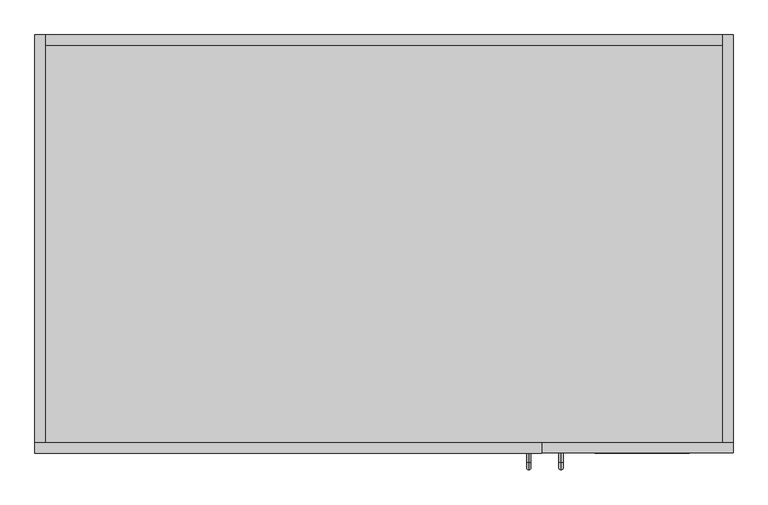
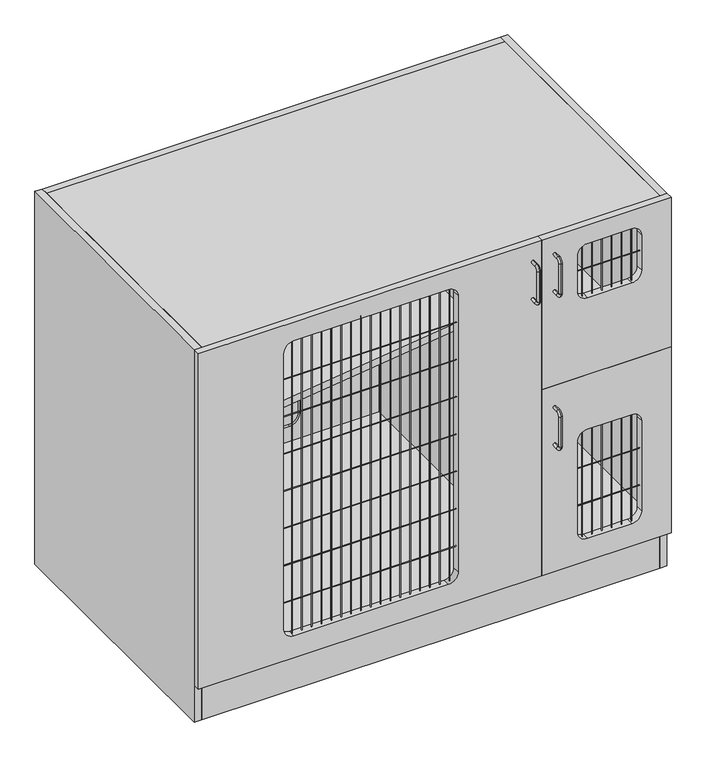
"""IFC4 building model written with IfcOpenShell, lengths in millimetres: proxy geometry."""

from ifc_helpers import new_model, si_unit, point, frame, frame_2d, origin, origin_with_axes, place, context, project, spatial, polyline, circle_curve, ellipse_curve, trimmed, segment, composite_curve, outline, extrude, source, transform, mapped, element, save
from ifc_brep_helpers import plane_surface, cylinder_surface, revolved_surface, advanced_brep


def specialty_equipment_c64e8e07(model_context):
    return source(origin(), model_context, "Body", "SolidModel", [
        advanced_brep(
        [(309.1688814, 0.3007545, 962.8618154), (309.1688814, 0.3007545, 970.7131846), (309.1688814, -15.8610223, 970.7131846), (309.1688814, -15.8610223, 962.8618154), (309.1688814, -29.0249301, 957.5492768), (309.1688814, -21.1735609, 957.5492768), (309.1688814, -29.0249301, 874.4257232), (309.1688814, -21.1735609, 874.4257232), (309.1688814, -15.8610223, 861.2618154), (309.1688814, -15.8610223, 869.1131846), (309.1688814, 0.3007545, 869.1131846), (309.1688814, 0.3007545, 861.2618154)],
        [
            (0, 1, circle_curve(frame((309.1688814, 0.3007545, 966.7875), z_axis=(0.0, 1.0, 0.0), x_axis=(0.0, 0.0, 1.0)), 3.9256846)),
            (1, 0, circle_curve(frame((309.1688814, 0.3007545, 966.7875), z_axis=(0.0, 1.0, 0.0), x_axis=(0.0, 0.0, 1.0)), 3.9256846)),
            (1, 2),
            (2, 3, circle_curve(frame((309.1688814, -15.8610223, 966.7875), z_axis=(0.0, 1.0, 0.0), x_axis=(0.0, 0.0, 1.0)), 3.9256846)),
            (3, 0),
            (3, 2, circle_curve(frame((309.1688814, -15.8610223, 966.7875), z_axis=(0.0, 1.0, 0.0), x_axis=(0.0, 0.0, 1.0)), 3.9256846)),
            (4, 5, circle_curve(frame((309.1688814, -25.0992455, 957.5492768), z_axis=(0.0, 0.0, 1.0), x_axis=(0.0, -1.0, 0.0)), 3.9256846)),
            (5, 3, circle_curve(frame((309.1688814, -15.8610223, 957.5492768), z_axis=(-1.0, 0.0, 0.0), x_axis=(0.0, 0.0, 1.0)), 5.3125387)),
            (2, 4, circle_curve(frame((309.1688814, -15.8610223, 957.5492768), z_axis=(1.0, 0.0, 0.0), x_axis=(0.0, 0.0, 1.0)), 13.1639078)),
            (5, 4, circle_curve(frame((309.1688814, -25.0992455, 957.5492768), z_axis=(0.0, 0.0, 1.0), x_axis=(0.0, -1.0, 0.0)), 3.9256846)),
            (4, 6),
            (6, 7, circle_curve(frame((309.1688814, -25.0992455, 874.4257232), z_axis=(0.0, 0.0, 1.0), x_axis=(0.0, -1.0, 0.0)), 3.9256846)),
            (7, 5),
            (7, 6, circle_curve(frame((309.1688814, -25.0992455, 874.4257232), z_axis=(0.0, 0.0, 1.0), x_axis=(0.0, -1.0, 0.0)), 3.9256846)),
            (8, 9, circle_curve(frame((309.1688814, -15.8610223, 865.1875), z_axis=(0.0, -1.0, 0.0), x_axis=(0.0, 0.0, -1.0)), 3.9256846)),
            (9, 7, circle_curve(frame((309.1688814, -15.8610223, 874.4257232), z_axis=(-1.0, 0.0, 0.0), x_axis=(0.0, -1.0, 0.0)), 5.3125387)),
            (6, 8, circle_curve(frame((309.1688814, -15.8610223, 874.4257232), z_axis=(1.0, 0.0, 0.0), x_axis=(0.0, -1.0, 0.0)), 13.1639078)),
            (9, 8, circle_curve(frame((309.1688814, -15.8610223, 865.1875), z_axis=(0.0, -1.0, 0.0), x_axis=(0.0, 0.0, -1.0)), 3.9256846)),
            (10, 11, circle_curve(frame((309.1688814, 0.3007545, 865.1875), z_axis=(0.0, 1.0, 0.0), x_axis=(0.0, 0.0, -1.0)), 3.9256846)),
            (11, 10, circle_curve(frame((309.1688814, 0.3007545, 865.1875), z_axis=(0.0, 1.0, 0.0), x_axis=(0.0, 0.0, -1.0)), 3.9256846)),
            (8, 11),
            (10, 9),
        ],
        [
            plane_surface(frame((309.1688814, 0.3007545, 966.7875), z_axis=(0.0, 1.0, 0.0), x_axis=(-1.0, 0.0, 0.0))),
            cylinder_surface(frame((309.1688814, 0.3007545, 966.7875), z_axis=(0.0, 1.0, 0.0), x_axis=(0.0, 0.0, 1.0)), 3.9256846),
            revolved_surface(trimmed(ellipse_curve(frame((309.1688814, -15.8610223, 966.7875), z_axis=(0.0, -1.0, 0.0), x_axis=(0.0, 0.0, 1.0)), 3.9256846, 3.9256846), [point((309.1688814, -15.8610223, 962.8618154))], [point((309.1688814, -15.8610223, 970.7131846))], True, "CARTESIAN"), (309.1688814, -15.8610223, 957.5492768), (-1.0, 0.0, 0.0)),
            revolved_surface(trimmed(ellipse_curve(frame((309.1688814, -15.8610223, 966.7875), z_axis=(0.0, -1.0, 0.0), x_axis=(0.0, 0.0, 1.0)), 3.9256846, 3.9256846), [point((309.1688814, -15.8610223, 970.7131846))], [point((309.1688814, -15.8610223, 962.8618154))], True, "CARTESIAN"), (309.1688814, -15.8610223, 957.5492768), (-1.0, 0.0, 0.0)),
            cylinder_surface(frame((309.1688814, -25.0992455, 957.5492768), z_axis=(0.0, 0.0, 1.0), x_axis=(0.0, -1.0, 0.0)), 3.9256846),
            revolved_surface(trimmed(ellipse_curve(frame((309.1688814, -25.0992455, 874.4257232), z_axis=(0.0, 0.0, -1.0), x_axis=(0.0, -1.0, 0.0)), 3.9256846, 3.9256846), [point((309.1688814, -21.1735609, 874.4257232))], [point((309.1688814, -29.0249301, 874.4257232))], True, "CARTESIAN"), (309.1688814, -15.8610223, 874.4257232), (-1.0, 0.0, 0.0)),
            revolved_surface(trimmed(ellipse_curve(frame((309.1688814, -25.0992455, 874.4257232), z_axis=(0.0, 0.0, -1.0), x_axis=(0.0, -1.0, 0.0)), 3.9256846, 3.9256846), [point((309.1688814, -29.0249301, 874.4257232))], [point((309.1688814, -21.1735609, 874.4257232))], True, "CARTESIAN"), (309.1688814, -15.8610223, 874.4257232), (-1.0, 0.0, 0.0)),
            plane_surface(frame((309.1688814, 0.3007545, 865.1875), z_axis=(0.0, 1.0, 0.0), x_axis=(-1.0, 0.0, 0.0))),
            cylinder_surface(frame((309.1688814, -15.8610223, 865.1875), z_axis=(0.0, -1.0, 0.0), x_axis=(0.0, 0.0, -1.0)), 3.9256846),
        ],
        [
            (0, [[1, 2]]),
            (1, [[3, 4, 5, -2]]),
            (1, [[-5, 6, -3, -1]]),
            (2, [[7, 8, -4, 9]]),
            (3, [[10, -9, -6, -8]]),
            (4, [[11, 12, 13, -7]]),
            (4, [[-13, 14, -11, -10]]),
            (5, [[15, 16, -12, 17]]),
            (6, [[18, -17, -14, -16]]),
            (7, [[19, 20]]),
            (8, [[21, -19, 22, -15]]),
            (8, [[-22, -20, -21, -18]]),
        ],
    ),
        advanced_brep(
        [(309.1688814, 0.3007545, 545.3493154), (309.1688814, 0.3007545, 553.2006846), (309.1688814, -15.8610223, 553.2006846), (309.1688814, -15.8610223, 545.3493154), (309.1688814, -29.0249301, 540.0367768), (309.1688814, -21.1735609, 540.0367768), (309.1688814, -29.0249301, 456.9132232), (309.1688814, -21.1735609, 456.9132232), (309.1688814, -15.8610223, 443.7493154), (309.1688814, -15.8610223, 451.6006846), (309.1688814, 0.3007545, 451.6006846), (309.1688814, 0.3007545, 443.7493154)],
        [
            (0, 1, circle_curve(frame((309.1688814, 0.3007545, 549.275), z_axis=(0.0, 1.0, 0.0), x_axis=(0.0, 0.0, 1.0)), 3.9256846)),
            (1, 0, circle_curve(frame((309.1688814, 0.3007545, 549.275), z_axis=(0.0, 1.0, 0.0), x_axis=(0.0, 0.0, 1.0)), 3.9256846)),
            (1, 2),
            (2, 3, circle_curve(frame((309.1688814, -15.8610223, 549.275), z_axis=(0.0, 1.0, 0.0), x_axis=(0.0, 0.0, 1.0)), 3.9256846)),
            (3, 0),
            (3, 2, circle_curve(frame((309.1688814, -15.8610223, 549.275), z_axis=(0.0, 1.0, 0.0), x_axis=(0.0, 0.0, 1.0)), 3.9256846)),
            (4, 5, circle_curve(frame((309.1688814, -25.0992455, 540.0367768), z_axis=(0.0, 0.0, 1.0), x_axis=(0.0, -1.0, 0.0)), 3.9256846)),
            (5, 3, circle_curve(frame((309.1688814, -15.8610223, 540.0367768), z_axis=(-1.0, 0.0, 0.0), x_axis=(0.0, 0.0, 1.0)), 5.3125387)),
            (2, 4, circle_curve(frame((309.1688814, -15.8610223, 540.0367768), z_axis=(1.0, 0.0, 0.0), x_axis=(0.0, 0.0, 1.0)), 13.1639078)),
            (5, 4, circle_curve(frame((309.1688814, -25.0992455, 540.0367768), z_axis=(0.0, 0.0, 1.0), x_axis=(0.0, -1.0, 0.0)), 3.9256846)),
            (4, 6),
            (6, 7, circle_curve(frame((309.1688814, -25.0992455, 456.9132232), z_axis=(0.0, 0.0, 1.0), x_axis=(0.0, -1.0, 0.0)), 3.9256846)),
            (7, 5),
            (7, 6, circle_curve(frame((309.1688814, -25.0992455, 456.9132232), z_axis=(0.0, 0.0, 1.0), x_axis=(0.0, -1.0, 0.0)), 3.9256846)),
            (8, 9, circle_curve(frame((309.1688814, -15.8610223, 447.675), z_axis=(0.0, -1.0, 0.0), x_axis=(0.0, 0.0, -1.0)), 3.9256846)),
            (9, 7, circle_curve(frame((309.1688814, -15.8610223, 456.9132232), z_axis=(-1.0, 0.0, 0.0), x_axis=(0.0, -1.0, 0.0)), 5.3125387)),
            (6, 8, circle_curve(frame((309.1688814, -15.8610223, 456.9132232), z_axis=(1.0, 0.0, 0.0), x_axis=(0.0, -1.0, 0.0)), 13.1639078)),
            (9, 8, circle_curve(frame((309.1688814, -15.8610223, 447.675), z_axis=(0.0, -1.0, 0.0), x_axis=(0.0, 0.0, -1.0)), 3.9256846)),
            (10, 11, circle_curve(frame((309.1688814, 0.3007545, 447.675), z_axis=(0.0, 1.0, 0.0), x_axis=(0.0, 0.0, -1.0)), 3.9256846)),
            (11, 10, circle_curve(frame((309.1688814, 0.3007545, 447.675), z_axis=(0.0, 1.0, 0.0), x_axis=(0.0, 0.0, -1.0)), 3.9256846)),
            (8, 11),
            (10, 9),
        ],
        [
            plane_surface(frame((309.1688814, 0.3007545, 549.275), z_axis=(0.0, 1.0, 0.0), x_axis=(-1.0, 0.0, 0.0))),
            cylinder_surface(frame((309.1688814, 0.3007545, 549.275), z_axis=(0.0, 1.0, 0.0), x_axis=(0.0, 0.0, 1.0)), 3.9256846),
            revolved_surface(trimmed(ellipse_curve(frame((309.1688814, -15.8610223, 549.275), z_axis=(0.0, -1.0, 0.0), x_axis=(0.0, 0.0, 1.0)), 3.9256846, 3.9256846), [point((309.1688814, -15.8610223, 545.3493154))], [point((309.1688814, -15.8610223, 553.2006846))], True, "CARTESIAN"), (309.1688814, -15.8610223, 540.0367768), (-1.0, 0.0, 0.0)),
            revolved_surface(trimmed(ellipse_curve(frame((309.1688814, -15.8610223, 549.275), z_axis=(0.0, -1.0, 0.0), x_axis=(0.0, 0.0, 1.0)), 3.9256846, 3.9256846), [point((309.1688814, -15.8610223, 553.2006846))], [point((309.1688814, -15.8610223, 545.3493154))], True, "CARTESIAN"), (309.1688814, -15.8610223, 540.0367768), (-1.0, 0.0, 0.0)),
            cylinder_surface(frame((309.1688814, -25.0992455, 540.0367768), z_axis=(0.0, 0.0, 1.0), x_axis=(0.0, -1.0, 0.0)), 3.9256846),
            revolved_surface(trimmed(ellipse_curve(frame((309.1688814, -25.0992455, 456.9132232), z_axis=(0.0, 0.0, -1.0), x_axis=(0.0, -1.0, 0.0)), 3.9256846, 3.9256846), [point((309.1688814, -21.1735609, 456.9132232))], [point((309.1688814, -29.0249301, 456.9132232))], True, "CARTESIAN"), (309.1688814, -15.8610223, 456.9132232), (-1.0, 0.0, 0.0)),
            revolved_surface(trimmed(ellipse_curve(frame((309.1688814, -25.0992455, 456.9132232), z_axis=(0.0, 0.0, -1.0), x_axis=(0.0, -1.0, 0.0)), 3.9256846, 3.9256846), [point((309.1688814, -29.0249301, 456.9132232))], [point((309.1688814, -21.1735609, 456.9132232))], True, "CARTESIAN"), (309.1688814, -15.8610223, 456.9132232), (-1.0, 0.0, 0.0)),
            plane_surface(frame((309.1688814, 0.3007545, 447.675), z_axis=(0.0, 1.0, 0.0), x_axis=(-1.0, 0.0, 0.0))),
            cylinder_surface(frame((309.1688814, -15.8610223, 447.675), z_axis=(0.0, -1.0, 0.0), x_axis=(0.0, 0.0, -1.0)), 3.9256846),
        ],
        [
            (0, [[1, 2]]),
            (1, [[3, 4, 5, -2]]),
            (1, [[-5, 6, -3, -1]]),
            (2, [[7, 8, -4, 9]]),
            (3, [[10, -9, -6, -8]]),
            (4, [[11, 12, 13, -7]]),
            (4, [[-13, 14, -11, -10]]),
            (5, [[15, 16, -12, 17]]),
            (6, [[18, -17, -14, -16]]),
            (7, [[19, 20]]),
            (8, [[21, -19, 22, -15]]),
            (8, [[-22, -20, -21, -18]]),
        ],
    ),
        advanced_brep(
        [(252.7878423, 0.0, 961.2743154), (252.7878423, 0.0, 969.1256846), (252.7878423, -16.1617768, 961.2743154), (252.7878423, -16.1617768, 969.1256846), (252.7878423, -29.3256846, 955.9617768), (252.7878423, -21.4743154, 955.9617768), (252.7878423, -21.4743154, 872.8382232), (252.7878423, -29.3256846, 872.8382232), (252.7878423, -16.1617768, 859.6743154), (252.7878423, -16.1617768, 867.5256846), (252.7878423, 0.0, 867.5256846), (252.7878423, 0.0, 859.6743154)],
        [
            (0, 1, circle_curve(frame((252.7878423, 0.0, 965.2), z_axis=(0.0, 1.0, 0.0), x_axis=(0.0, 0.0, 1.0)), 3.9256846)),
            (1, 0, circle_curve(frame((252.7878423, 0.0, 965.2), z_axis=(0.0, 1.0, 0.0), x_axis=(0.0, 0.0, 1.0)), 3.9256846)),
            (0, 2),
            (2, 3, circle_curve(frame((252.7878423, -16.1617768, 965.2), z_axis=(0.0, 1.0, 0.0), x_axis=(0.0, 0.0, 1.0)), 3.9256846)),
            (3, 1),
            (3, 2, circle_curve(frame((252.7878423, -16.1617768, 965.2), z_axis=(0.0, 1.0, 0.0), x_axis=(0.0, 0.0, 1.0)), 3.9256846)),
            (4, 3, circle_curve(frame((252.7878423, -16.1617768, 955.9617768), z_axis=(-1.0, 0.0, 0.0), x_axis=(0.0, 0.0, 1.0)), 13.1639078)),
            (2, 5, circle_curve(frame((252.7878423, -16.1617768, 955.9617768), z_axis=(1.0, 0.0, 0.0), x_axis=(0.0, 0.0, 1.0)), 5.3125387)),
            (5, 4, circle_curve(frame((252.7878423, -25.4, 955.9617768), z_axis=(0.0, 0.0, 1.0), x_axis=(0.0, -1.0, 0.0)), 3.9256846)),
            (4, 5, circle_curve(frame((252.7878423, -25.4, 955.9617768), z_axis=(0.0, 0.0, 1.0), x_axis=(0.0, -1.0, 0.0)), 3.9256846)),
            (5, 6),
            (6, 7, circle_curve(frame((252.7878423, -25.4, 872.8382232), z_axis=(0.0, 0.0, 1.0), x_axis=(0.0, -1.0, 0.0)), 3.9256846)),
            (7, 4),
            (7, 6, circle_curve(frame((252.7878423, -25.4, 872.8382232), z_axis=(0.0, 0.0, 1.0), x_axis=(0.0, -1.0, 0.0)), 3.9256846)),
            (8, 7, circle_curve(frame((252.7878423, -16.1617768, 872.8382232), z_axis=(-1.0, 0.0, 0.0), x_axis=(0.0, -1.0, 0.0)), 13.1639078)),
            (6, 9, circle_curve(frame((252.7878423, -16.1617768, 872.8382232), z_axis=(1.0, 0.0, 0.0), x_axis=(0.0, -1.0, 0.0)), 5.3125387)),
            (9, 8, circle_curve(frame((252.7878423, -16.1617768, 863.6), z_axis=(0.0, -1.0, 0.0), x_axis=(0.0, 0.0, -1.0)), 3.9256846)),
            (8, 9, circle_curve(frame((252.7878423, -16.1617768, 863.6), z_axis=(0.0, -1.0, 0.0), x_axis=(0.0, 0.0, -1.0)), 3.9256846)),
            (10, 11, circle_curve(frame((252.7878423, 0.0, 863.6), z_axis=(0.0, 1.0, 0.0), x_axis=(0.0, 0.0, -1.0)), 3.9256846)),
            (11, 10, circle_curve(frame((252.7878423, 0.0, 863.6), z_axis=(0.0, 1.0, 0.0), x_axis=(0.0, 0.0, -1.0)), 3.9256846)),
            (9, 10),
            (11, 8),
        ],
        [
            plane_surface(frame((252.7878423, 0.0, 965.2), z_axis=(0.0, 1.0, 0.0), x_axis=(1.0, 0.0, 0.0))),
            cylinder_surface(frame((252.7878423, 0.0, 965.2), z_axis=(0.0, 1.0, 0.0), x_axis=(0.0, 0.0, 1.0)), 3.9256846),
            revolved_surface(trimmed(ellipse_curve(frame((252.7878423, -16.1617768, 965.2), z_axis=(0.0, 1.0, 0.0), x_axis=(0.0, 0.0, 1.0)), 3.9256846, 3.9256846), [point((252.7878423, -16.1617768, 961.2743154))], [point((252.7878423, -16.1617768, 969.1256846))], True, "CARTESIAN"), (252.7878423, -16.1617768, 955.9617768), (1.0, 0.0, 0.0)),
            revolved_surface(trimmed(ellipse_curve(frame((252.7878423, -16.1617768, 965.2), z_axis=(0.0, 1.0, 0.0), x_axis=(0.0, 0.0, 1.0)), 3.9256846, 3.9256846), [point((252.7878423, -16.1617768, 969.1256846))], [point((252.7878423, -16.1617768, 961.2743154))], True, "CARTESIAN"), (252.7878423, -16.1617768, 955.9617768), (1.0, 0.0, 0.0)),
            cylinder_surface(frame((252.7878423, -25.4, 955.9617768), z_axis=(0.0, 0.0, 1.0), x_axis=(0.0, -1.0, 0.0)), 3.9256846),
            revolved_surface(trimmed(ellipse_curve(frame((252.7878423, -25.4, 872.8382232), z_axis=(0.0, 0.0, 1.0), x_axis=(0.0, -1.0, 0.0)), 3.9256846, 3.9256846), [point((252.7878423, -21.4743154, 872.8382232))], [point((252.7878423, -29.3256846, 872.8382232))], True, "CARTESIAN"), (252.7878423, -16.1617768, 872.8382232), (1.0, 0.0, 0.0)),
            revolved_surface(trimmed(ellipse_curve(frame((252.7878423, -25.4, 872.8382232), z_axis=(0.0, 0.0, 1.0), x_axis=(0.0, -1.0, 0.0)), 3.9256846, 3.9256846), [point((252.7878423, -29.3256846, 872.8382232))], [point((252.7878423, -21.4743154, 872.8382232))], True, "CARTESIAN"), (252.7878423, -16.1617768, 872.8382232), (1.0, 0.0, 0.0)),
            plane_surface(frame((252.7878423, 0.0, 863.6), z_axis=(0.0, 1.0, 0.0), x_axis=(1.0, 0.0, 0.0))),
            cylinder_surface(frame((252.7878423, -16.1617768, 863.6), z_axis=(0.0, -1.0, 0.0), x_axis=(0.0, 0.0, -1.0)), 3.9256846),
        ],
        [
            (0, [[1, 2]]),
            (1, [[-1, 3, 4, 5]]),
            (1, [[-2, -5, 6, -3]]),
            (2, [[7, -4, 8, 9]]),
            (3, [[-8, -6, -7, 10]]),
            (4, [[-9, 11, 12, 13]]),
            (4, [[-10, -13, 14, -11]]),
            (5, [[15, -12, 16, 17]]),
            (6, [[-16, -14, -15, 18]]),
            (7, [[19, 20]]),
            (8, [[-17, 21, -20, 22]]),
            (8, [[-18, -22, -19, -21]]),
        ],
    ),
        extrude(outline(polyline([(590.55, 38.1), (590.55, 19.05), (-590.55, 19.05), (-590.55, 38.1), (590.55, 38.1)])), origin_with_axes(), (0.0, 0.0, 1.0), 101.6),
        extrude(outline(polyline([(266.7, 711.2), (285.75, 711.2), (285.75, 19.05), (266.7, 19.05), (266.7, 711.2)])), frame((0.0, 0.0, 120.65), z_axis=(0.0, 0.0, 1.0), x_axis=(1.0, 0.0, 0.0)), (0.0, 0.0, 1.0), 876.3),
        extrude(outline(composite_curve([segment(polyline([(965.2, 45.6823641), (965.2, -363.1319653)]), True, "CONTINUOUS"), segment(trimmed(circle_curve(frame_2d((939.8, -363.1319653)), 25.4), [point((965.2, -363.1319653))], [point((939.8, -388.5319653))], False, "CARTESIAN"), True, "CONTINUOUS"), segment(polyline([(939.8, -388.5319653), (187.325, -388.5319653)]), True, "CONTINUOUS"), segment(trimmed(circle_curve(frame_2d((187.325, -363.1319653)), 25.4), [point((187.325, -388.5319653))], [point((161.925, -363.1319653))], False, "CARTESIAN"), True, "CONTINUOUS"), segment(polyline([(161.925, -363.1319653), (161.925, 45.6823641)]), True, "CONTINUOUS"), segment(trimmed(circle_curve(frame_2d((187.325, 45.6823641)), 25.4), [point((161.925, 45.6823641))], [point((187.325, 71.0823641))], False, "CARTESIAN"), True, "CONTINUOUS"), segment(polyline([(187.325, 71.0823641), (939.8, 71.0823641)]), True, "CONTINUOUS"), segment(trimmed(circle_curve(frame_2d((939.8, 45.6823641)), 25.4), [point((939.8, 71.0823641))], [point((965.2, 45.6823641))], False, "CARTESIAN"), True, "CONTINUOUS")], self_intersect=False)), frame((0.0, 717.55, 0.0), z_axis=(0.0, 1.0, 0.0), x_axis=(0.0, 0.0, 1.0)), (0.0, 0.0, 1.0), 6.35),
        extrude(outline(polyline([(266.7, 711.2), (266.7, 298.45), (-590.55, 177.8), (-590.55, 711.2), (266.7, 711.2)])), frame((0.0, 0.0, 611.1875), z_axis=(0.0, 0.0, 1.0), x_axis=(1.0, 0.0, 0.0)), (0.0, 0.0, 1.0), 19.05),
        extrude(outline(polyline([(590.55, 711.2), (590.55, 19.05), (285.75, 19.05), (285.75, 711.2), (590.55, 711.2)])), frame((0.0, 0.0, 588.9625), z_axis=(0.0, 0.0, 1.0), x_axis=(1.0, 0.0, 0.0)), (0.0, 0.0, 1.0), 19.05),
        extrude(outline(polyline([(590.55, 711.2), (590.55, 19.05), (-590.55, 19.05), (-590.55, 711.2), (590.55, 711.2)])), frame((0.0, 0.0, 996.95), z_axis=(0.0, 0.0, 1.0), x_axis=(1.0, 0.0, 0.0)), (0.0, 0.0, 1.0), 19.05),
        extrude(outline(polyline([(1016.0, 590.55), (1016.0, -590.55), (101.6, -590.55), (101.6, 590.55), (1016.0, 590.55)]), holes=[composite_curve([segment(polyline([(939.8, 61.7941214), (187.325, 61.7941214)]), True, "CONTINUOUS"), segment(trimmed(circle_curve(frame_2d((187.325, 36.3941214)), 25.4), [point((187.325, 61.7941214))], [point((161.925, 36.3941214))], True, "CARTESIAN"), True, "CONTINUOUS"), segment(polyline([(161.925, 36.3941214), (161.925, -363.1319653)]), True, "CONTINUOUS"), segment(trimmed(circle_curve(frame_2d((187.325, -363.1319653)), 25.4), [point((161.925, -363.1319653))], [point((187.325, -388.5319653))], True, "CARTESIAN"), True, "CONTINUOUS"), segment(polyline([(187.325, -388.5319653), (939.8, -388.5319653)]), True, "CONTINUOUS"), segment(trimmed(circle_curve(frame_2d((939.8, -363.1319653)), 25.4), [point((939.8, -388.5319653))], [point((965.2, -363.1319653))], True, "CARTESIAN"), True, "CONTINUOUS"), segment(polyline([(965.2, -363.1319653), (965.2, 36.3941214)]), True, "CONTINUOUS"), segment(trimmed(circle_curve(frame_2d((939.8, 36.3941214)), 25.4), [point((965.2, 36.3941214))], [point((939.8, 61.7941214))], True, "CARTESIAN"), True, "CONTINUOUS")], self_intersect=False)]), frame((0.0, 711.2, 0.0), z_axis=(0.0, 1.0, 0.0), x_axis=(0.0, 0.0, 1.0)), (0.0, 0.0, 1.0), 19.05),
        extrude(outline(polyline([(590.55, 19.05), (-590.55, 19.05), (-590.55, 711.2), (590.55, 711.2), (590.55, 19.05)])), frame((0.0, 0.0, 101.6), z_axis=(0.0, 0.0, 1.0), x_axis=(1.0, 0.0, 0.0)), (0.0, 0.0, 1.0), 19.05),
        extrude(outline(polyline([(590.55, 730.25), (609.6, 730.25), (609.6, 19.05), (590.55, 19.05), (590.55, 730.25)])), origin_with_axes(), (0.0, 0.0, 1.0), 1016.0),
        extrude(outline(polyline([(-590.55, 730.25), (-590.55, 19.05), (-609.6, 19.05), (-609.6, 730.25), (-590.55, 730.25)])), origin_with_axes(), (0.0, 0.0, 1.0), 1016.0),
        extrude(outline(polyline([(608.0125, 609.6), (608.0125, 275.5812652), (101.6, 275.5812652), (101.6, 609.6), (608.0125, 609.6)]), holes=[composite_curve([segment(polyline([(458.7875, 393.7), (458.7875, 508.0)]), True, "CONTINUOUS"), segment(trimmed(circle_curve(frame_2d((433.3875, 508.0)), 25.4), [point((458.7875, 508.0))], [point((433.3875, 533.4))], True, "CARTESIAN"), True, "CONTINUOUS"), segment(polyline([(433.3875, 533.4), (187.325, 533.4)]), True, "CONTINUOUS"), segment(trimmed(circle_curve(frame_2d((187.325, 508.0)), 25.4), [point((187.325, 533.4))], [point((161.925, 508.0))], True, "CARTESIAN"), True, "CONTINUOUS"), segment(polyline([(161.925, 508.0), (161.925, 393.7)]), True, "CONTINUOUS"), segment(trimmed(circle_curve(frame_2d((187.325, 393.7)), 25.4), [point((161.925, 393.7))], [point((187.325, 368.3))], True, "CARTESIAN"), True, "CONTINUOUS"), segment(polyline([(187.325, 368.3), (433.3875, 368.3)]), True, "CONTINUOUS"), segment(trimmed(circle_curve(frame_2d((433.3875, 393.7)), 25.4), [point((433.3875, 368.3))], [point((458.7875, 393.7))], True, "CARTESIAN"), True, "CONTINUOUS")], self_intersect=False)]), frame((0.0, 0.3007545, 0.0), z_axis=(0.0, 1.0, 0.0), x_axis=(0.0, 0.0, 1.0)), (0.0, 0.0, 1.0), 19.05),
        extrude(outline(composite_curve([segment(trimmed(circle_curve(frame_2d((512.2505766, 9.3897752)), 0.79375), [point((511.4568266, 9.3897752))], [point((513.0443266, 9.3897752))], False, "CARTESIAN"), True, "CONTINUOUS"), segment(trimmed(circle_curve(frame_2d((512.2505766, 9.3897752)), 0.79375), [point((513.0443266, 9.3897752))], [point((511.4568266, 9.3897752))], False, "CARTESIAN"), True, "CONTINUOUS")], self_intersect=False)), frame((0.0, 0.0, 161.925), z_axis=(0.0, 0.0, 1.0), x_axis=(1.0, 0.0, 0.0)), (0.0, 0.0, 1.0), 296.8625),
        extrude(outline(composite_curve([segment(trimmed(circle_curve(frame_2d((486.8505766, 9.3897752)), 0.79375), [point((486.0568266, 9.3897752))], [point((487.6443266, 9.3897752))], False, "CARTESIAN"), True, "CONTINUOUS"), segment(trimmed(circle_curve(frame_2d((486.8505766, 9.3897752)), 0.79375), [point((487.6443266, 9.3897752))], [point((486.0568266, 9.3897752))], False, "CARTESIAN"), True, "CONTINUOUS")], self_intersect=False)), frame((0.0, 0.0, 161.925), z_axis=(0.0, 0.0, 1.0), x_axis=(1.0, 0.0, 0.0)), (0.0, 0.0, 1.0), 296.8625),
        extrude(outline(composite_curve([segment(trimmed(circle_curve(frame_2d((461.4505766, 9.3897752)), 0.79375), [point((460.6568266, 9.3897752))], [point((462.2443266, 9.3897752))], False, "CARTESIAN"), True, "CONTINUOUS"), segment(trimmed(circle_curve(frame_2d((461.4505766, 9.3897752)), 0.79375), [point((462.2443266, 9.3897752))], [point((460.6568266, 9.3897752))], False, "CARTESIAN"), True, "CONTINUOUS")], self_intersect=False)), frame((0.0, 0.0, 161.925), z_axis=(0.0, 0.0, 1.0), x_axis=(1.0, 0.0, 0.0)), (0.0, 0.0, 1.0), 296.8625),
        extrude(outline(composite_curve([segment(trimmed(circle_curve(frame_2d((436.0505766, 9.3897752)), 0.79375), [point((435.2568266, 9.3897752))], [point((436.8443266, 9.3897752))], False, "CARTESIAN"), True, "CONTINUOUS"), segment(trimmed(circle_curve(frame_2d((436.0505766, 9.3897752)), 0.79375), [point((436.8443266, 9.3897752))], [point((435.2568266, 9.3897752))], False, "CARTESIAN"), True, "CONTINUOUS")], self_intersect=False)), frame((0.0, 0.0, 161.925), z_axis=(0.0, 0.0, 1.0), x_axis=(1.0, 0.0, 0.0)), (0.0, 0.0, 1.0), 296.8625),
        extrude(outline(composite_curve([segment(trimmed(circle_curve(frame_2d((410.6505766, 9.3897752)), 0.79375), [point((409.8568266, 9.3897752))], [point((411.4443266, 9.3897752))], False, "CARTESIAN"), True, "CONTINUOUS"), segment(trimmed(circle_curve(frame_2d((410.6505766, 9.3897752)), 0.79375), [point((411.4443266, 9.3897752))], [point((409.8568266, 9.3897752))], False, "CARTESIAN"), True, "CONTINUOUS")], self_intersect=False)), frame((0.0, 0.0, 161.925), z_axis=(0.0, 0.0, 1.0), x_axis=(1.0, 0.0, 0.0)), (0.0, 0.0, 1.0), 296.8625),
        extrude(outline(composite_curve([segment(trimmed(circle_curve(frame_2d((385.2505766, 9.3897752)), 0.79375), [point((384.4568266, 9.3897752))], [point((386.0443266, 9.3897752))], False, "CARTESIAN"), True, "CONTINUOUS"), segment(trimmed(circle_curve(frame_2d((385.2505766, 9.3897752)), 0.79375), [point((386.0443266, 9.3897752))], [point((384.4568266, 9.3897752))], False, "CARTESIAN"), True, "CONTINUOUS")], self_intersect=False)), frame((0.0, 0.0, 161.925), z_axis=(0.0, 0.0, 1.0), x_axis=(1.0, 0.0, 0.0)), (0.0, 0.0, 1.0), 296.8625),
        extrude(outline(composite_curve([segment(trimmed(circle_curve(frame_2d((9.3897752, 892.4115387)), 0.79375), [point((9.3897752, 893.2052887))], [point((9.3897752, 891.6177887))], False, "CARTESIAN"), True, "CONTINUOUS"), segment(trimmed(circle_curve(frame_2d((9.3897752, 892.4115387)), 0.79375), [point((9.3897752, 891.6177887))], [point((9.3897752, 893.2052887))], False, "CARTESIAN"), True, "CONTINUOUS")], self_intersect=False)), frame((368.3, 0.0, 0.0), z_axis=(1.0, 0.0, 0.0), x_axis=(0.0, 1.0, 0.0)), (0.0, 0.0, 1.0), 165.1),
        extrude(outline(composite_curve([segment(trimmed(circle_curve(frame_2d((512.2432082, 9.3928735)), 0.79375), [point((511.4494582, 9.3928735))], [point((513.0369582, 9.3928735))], False, "CARTESIAN"), True, "CONTINUOUS"), segment(trimmed(circle_curve(frame_2d((512.2432082, 9.3928735)), 0.79375), [point((513.0369582, 9.3928735))], [point((511.4494582, 9.3928735))], False, "CARTESIAN"), True, "CONTINUOUS")], self_intersect=False)), frame((0.0, 0.0, 818.0355774), z_axis=(0.0, 0.0, 1.0), x_axis=(1.0, 0.0, 0.0)), (0.0, 0.0, 1.0), 147.1644226),
        extrude(outline(composite_curve([segment(trimmed(circle_curve(frame_2d((486.8432082, 9.3928735)), 0.79375), [point((486.0494582, 9.3928735))], [point((487.6369582, 9.3928735))], False, "CARTESIAN"), True, "CONTINUOUS"), segment(trimmed(circle_curve(frame_2d((486.8432082, 9.3928735)), 0.79375), [point((487.6369582, 9.3928735))], [point((486.0494582, 9.3928735))], False, "CARTESIAN"), True, "CONTINUOUS")], self_intersect=False)), frame((0.0, 0.0, 818.0355774), z_axis=(0.0, 0.0, 1.0), x_axis=(1.0, 0.0, 0.0)), (0.0, 0.0, 1.0), 147.1644226),
        extrude(outline(composite_curve([segment(trimmed(circle_curve(frame_2d((461.4432082, 9.3928735)), 0.79375), [point((460.6494582, 9.3928735))], [point((462.2369582, 9.3928735))], False, "CARTESIAN"), True, "CONTINUOUS"), segment(trimmed(circle_curve(frame_2d((461.4432082, 9.3928735)), 0.79375), [point((462.2369582, 9.3928735))], [point((460.6494582, 9.3928735))], False, "CARTESIAN"), True, "CONTINUOUS")], self_intersect=False)), frame((0.0, 0.0, 818.0355774), z_axis=(0.0, 0.0, 1.0), x_axis=(1.0, 0.0, 0.0)), (0.0, 0.0, 1.0), 147.1644226),
        extrude(outline(composite_curve([segment(trimmed(circle_curve(frame_2d((436.0432082, 9.3928735)), 0.79375), [point((435.2494582, 9.3928735))], [point((436.8369582, 9.3928735))], False, "CARTESIAN"), True, "CONTINUOUS"), segment(trimmed(circle_curve(frame_2d((436.0432082, 9.3928735)), 0.79375), [point((436.8369582, 9.3928735))], [point((435.2494582, 9.3928735))], False, "CARTESIAN"), True, "CONTINUOUS")], self_intersect=False)), frame((0.0, 0.0, 818.0355774), z_axis=(0.0, 0.0, 1.0), x_axis=(1.0, 0.0, 0.0)), (0.0, 0.0, 1.0), 147.1644226),
        extrude(outline(composite_curve([segment(trimmed(circle_curve(frame_2d((410.6432082, 9.3928735)), 0.79375), [point((409.8494582, 9.3928735))], [point((411.4369582, 9.3928735))], False, "CARTESIAN"), True, "CONTINUOUS"), segment(trimmed(circle_curve(frame_2d((410.6432082, 9.3928735)), 0.79375), [point((411.4369582, 9.3928735))], [point((409.8494582, 9.3928735))], False, "CARTESIAN"), True, "CONTINUOUS")], self_intersect=False)), frame((0.0, 0.0, 818.0355774), z_axis=(0.0, 0.0, 1.0), x_axis=(1.0, 0.0, 0.0)), (0.0, 0.0, 1.0), 147.1644226),
        extrude(outline(composite_curve([segment(trimmed(circle_curve(frame_2d((385.2432082, 9.3928735)), 0.79375), [point((384.4494582, 9.3928735))], [point((386.0369582, 9.3928735))], False, "CARTESIAN"), True, "CONTINUOUS"), segment(trimmed(circle_curve(frame_2d((385.2432082, 9.3928735)), 0.79375), [point((386.0369582, 9.3928735))], [point((384.4494582, 9.3928735))], False, "CARTESIAN"), True, "CONTINUOUS")], self_intersect=False)), frame((0.0, 0.0, 818.0355774), z_axis=(0.0, 0.0, 1.0), x_axis=(1.0, 0.0, 0.0)), (0.0, 0.0, 1.0), 147.1644226),
        extrude(outline(composite_curve([segment(trimmed(circle_curve(frame_2d((9.3897752, 354.0125)), 0.79375), [point((9.3897752, 354.80625))], [point((9.3897752, 353.21875))], False, "CARTESIAN"), True, "CONTINUOUS"), segment(trimmed(circle_curve(frame_2d((9.3897752, 354.0125)), 0.79375), [point((9.3897752, 353.21875))], [point((9.3897752, 354.80625))], False, "CARTESIAN"), True, "CONTINUOUS")], self_intersect=False)), frame((368.3, 0.0, 0.0), z_axis=(1.0, 0.0, 0.0), x_axis=(0.0, 1.0, 0.0)), (0.0, 0.0, 1.0), 165.1),
        extrude(outline(composite_curve([segment(trimmed(circle_curve(frame_2d((9.3897752, 252.4125)), 0.79375), [point((9.3897752, 253.20625))], [point((9.3897752, 251.61875))], False, "CARTESIAN"), True, "CONTINUOUS"), segment(trimmed(circle_curve(frame_2d((9.3897752, 252.4125)), 0.79375), [point((9.3897752, 251.61875))], [point((9.3897752, 253.20625))], False, "CARTESIAN"), True, "CONTINUOUS")], self_intersect=False)), frame((368.3, 0.0, 0.0), z_axis=(1.0, 0.0, 0.0), x_axis=(0.0, 1.0, 0.0)), (0.0, 0.0, 1.0), 165.1),
        extrude(outline(polyline([(1016.0, 275.5812652), (1016.0, -609.6), (101.6, -609.6), (101.6, 275.5812652), (1016.0, 275.5812652)]), holes=[composite_curve([segment(polyline([(939.8, 60.4487334), (187.325, 60.4487334)]), True, "CONTINUOUS"), segment(trimmed(circle_curve(frame_2d((187.325, 35.0487334)), 25.4), [point((187.325, 60.4487334))], [point((161.925, 35.0487334))], True, "CARTESIAN"), True, "CONTINUOUS"), segment(polyline([(161.925, 35.0487334), (161.925, -363.6558786)]), True, "CONTINUOUS"), segment(trimmed(circle_curve(frame_2d((187.325, -363.6558786)), 25.4), [point((161.925, -363.6558786))], [point((187.325, -389.0558786))], True, "CARTESIAN"), True, "CONTINUOUS"), segment(polyline([(187.325, -389.0558786), (939.8, -389.0558786)]), True, "CONTINUOUS"), segment(trimmed(circle_curve(frame_2d((939.8, -363.6558786)), 25.4), [point((939.8, -389.0558786))], [point((965.2, -363.6558786))], True, "CARTESIAN"), True, "CONTINUOUS"), segment(polyline([(965.2, -363.6558786), (965.2, 35.0487334)]), True, "CONTINUOUS"), segment(trimmed(circle_curve(frame_2d((939.8, 35.0487334)), 25.4), [point((965.2, 35.0487334))], [point((939.8, 60.4487334))], True, "CARTESIAN"), True, "CONTINUOUS")], self_intersect=False)]), frame((0.0, 0.0, 0.0), z_axis=(0.0, 1.0, 0.0), x_axis=(0.0, 0.0, 1.0)), (0.0, 0.0, 1.0), 19.05),
        extrude(outline(polyline([(1016.0, 609.6), (1016.0, 275.5812652), (604.8375, 275.5812652), (604.8375, 609.6), (1016.0, 609.6)]), holes=[composite_curve([segment(polyline([(965.2, 393.7), (965.2, 508.0)]), True, "CONTINUOUS"), segment(trimmed(circle_curve(frame_2d((939.8, 508.0)), 25.4), [point((965.2, 508.0))], [point((939.8, 533.4))], True, "CARTESIAN"), True, "CONTINUOUS"), segment(polyline([(939.8, 533.4), (843.4355774, 533.4)]), True, "CONTINUOUS"), segment(trimmed(circle_curve(frame_2d((843.4355774, 508.0)), 25.4), [point((843.4355774, 533.4))], [point((818.0355774, 508.0))], True, "CARTESIAN"), True, "CONTINUOUS"), segment(polyline([(818.0355774, 508.0), (818.0355774, 393.7)]), True, "CONTINUOUS"), segment(trimmed(circle_curve(frame_2d((843.4355774, 393.7)), 25.4), [point((818.0355774, 393.7))], [point((843.4355774, 368.3))], True, "CARTESIAN"), True, "CONTINUOUS"), segment(polyline([(843.4355774, 368.3), (939.8, 368.3)]), True, "CONTINUOUS"), segment(trimmed(circle_curve(frame_2d((939.8, 393.7)), 25.4), [point((939.8, 368.3))], [point((965.2, 393.7))], True, "CARTESIAN"), True, "CONTINUOUS")], self_intersect=False)]), frame((0.0, 0.3007545, 0.0), z_axis=(0.0, 1.0, 0.0), x_axis=(0.0, 0.0, 1.0)), (0.0, 0.0, 1.0), 19.05),
        extrude(outline(composite_curve([segment(trimmed(circle_curve(frame_2d((9.3897752, 862.0125)), 0.79375), [point((9.3897752, 862.80625))], [point((9.3897752, 861.21875))], False, "CARTESIAN"), True, "CONTINUOUS"), segment(trimmed(circle_curve(frame_2d((9.3897752, 862.0125)), 0.79375), [point((9.3897752, 861.21875))], [point((9.3897752, 862.80625))], False, "CARTESIAN"), True, "CONTINUOUS")], self_intersect=False)), frame((-389.0558786, 0.0, 0.0), z_axis=(1.0, 0.0, 0.0), x_axis=(0.0, 1.0, 0.0)), (0.0, 0.0, 1.0), 450.85),
        extrude(outline(composite_curve([segment(trimmed(circle_curve(frame_2d((9.3897752, 760.4125)), 0.79375), [point((9.3897752, 761.20625))], [point((9.3897752, 759.61875))], False, "CARTESIAN"), True, "CONTINUOUS"), segment(trimmed(circle_curve(frame_2d((9.3897752, 760.4125)), 0.79375), [point((9.3897752, 759.61875))], [point((9.3897752, 761.20625))], False, "CARTESIAN"), True, "CONTINUOUS")], self_intersect=False)), frame((-389.0558786, 0.0, 0.0), z_axis=(1.0, 0.0, 0.0), x_axis=(0.0, 1.0, 0.0)), (0.0, 0.0, 1.0), 450.85),
        extrude(outline(composite_curve([segment(trimmed(circle_curve(frame_2d((9.3897752, 658.8125)), 0.79375), [point((9.3897752, 659.60625))], [point((9.3897752, 658.01875))], False, "CARTESIAN"), True, "CONTINUOUS"), segment(trimmed(circle_curve(frame_2d((9.3897752, 658.8125)), 0.79375), [point((9.3897752, 658.01875))], [point((9.3897752, 659.60625))], False, "CARTESIAN"), True, "CONTINUOUS")], self_intersect=False)), frame((-389.0558786, 0.0, 0.0), z_axis=(1.0, 0.0, 0.0), x_axis=(0.0, 1.0, 0.0)), (0.0, 0.0, 1.0), 450.85),
        extrude(outline(composite_curve([segment(trimmed(circle_curve(frame_2d((9.3897752, 557.2125)), 0.79375), [point((9.3897752, 558.00625))], [point((9.3897752, 556.41875))], False, "CARTESIAN"), True, "CONTINUOUS"), segment(trimmed(circle_curve(frame_2d((9.3897752, 557.2125)), 0.79375), [point((9.3897752, 556.41875))], [point((9.3897752, 558.00625))], False, "CARTESIAN"), True, "CONTINUOUS")], self_intersect=False)), frame((-389.0558786, 0.0, 0.0), z_axis=(1.0, 0.0, 0.0), x_axis=(0.0, 1.0, 0.0)), (0.0, 0.0, 1.0), 450.85),
        extrude(outline(composite_curve([segment(trimmed(circle_curve(frame_2d((9.3897752, 455.6125)), 0.79375), [point((9.3897752, 456.40625))], [point((9.3897752, 454.81875))], False, "CARTESIAN"), True, "CONTINUOUS"), segment(trimmed(circle_curve(frame_2d((9.3897752, 455.6125)), 0.79375), [point((9.3897752, 454.81875))], [point((9.3897752, 456.40625))], False, "CARTESIAN"), True, "CONTINUOUS")], self_intersect=False)), frame((-389.0558786, 0.0, 0.0), z_axis=(1.0, 0.0, 0.0), x_axis=(0.0, 1.0, 0.0)), (0.0, 0.0, 1.0), 450.85),
        extrude(outline(composite_curve([segment(trimmed(circle_curve(frame_2d((9.3897752, 354.0125)), 0.79375), [point((9.3897752, 354.80625))], [point((9.3897752, 353.21875))], False, "CARTESIAN"), True, "CONTINUOUS"), segment(trimmed(circle_curve(frame_2d((9.3897752, 354.0125)), 0.79375), [point((9.3897752, 353.21875))], [point((9.3897752, 354.80625))], False, "CARTESIAN"), True, "CONTINUOUS")], self_intersect=False)), frame((-389.0558786, 0.0, 0.0), z_axis=(1.0, 0.0, 0.0), x_axis=(0.0, 1.0, 0.0)), (0.0, 0.0, 1.0), 450.85),
        extrude(outline(composite_curve([segment(trimmed(circle_curve(frame_2d((9.3897752, 252.4125)), 0.79375), [point((9.3897752, 253.20625))], [point((9.3897752, 251.61875))], False, "CARTESIAN"), True, "CONTINUOUS"), segment(trimmed(circle_curve(frame_2d((9.3897752, 252.4125)), 0.79375), [point((9.3897752, 251.61875))], [point((9.3897752, 253.20625))], False, "CARTESIAN"), True, "CONTINUOUS")], self_intersect=False)), frame((-389.0558786, 0.0, 0.0), z_axis=(1.0, 0.0, 0.0), x_axis=(0.0, 1.0, 0.0)), (0.0, 0.0, 1.0), 450.85),
        extrude(outline(composite_curve([segment(trimmed(circle_curve(frame_2d((43.4548378, 9.3897752)), 0.79375), [point((42.6610878, 9.3897752))], [point((44.2485878, 9.3897752))], False, "CARTESIAN"), True, "CONTINUOUS"), segment(trimmed(circle_curve(frame_2d((43.4548378, 9.3897752)), 0.79375), [point((44.2485878, 9.3897752))], [point((42.6610878, 9.3897752))], False, "CARTESIAN"), True, "CONTINUOUS")], self_intersect=False)), frame((0.0, 0.0, 161.925), z_axis=(0.0, 0.0, 1.0), x_axis=(1.0, 0.0, 0.0)), (0.0, 0.0, 1.0), 803.275),
        extrude(outline(composite_curve([segment(trimmed(circle_curve(frame_2d((18.0548378, 9.3897752)), 0.79375), [point((17.2610878, 9.3897752))], [point((18.8485878, 9.3897752))], False, "CARTESIAN"), True, "CONTINUOUS"), segment(trimmed(circle_curve(frame_2d((18.0548378, 9.3897752)), 0.79375), [point((18.8485878, 9.3897752))], [point((17.2610878, 9.3897752))], False, "CARTESIAN"), True, "CONTINUOUS")], self_intersect=False)), frame((0.0, 0.0, 161.925), z_axis=(0.0, 0.0, 1.0), x_axis=(1.0, 0.0, 0.0)), (0.0, 0.0, 1.0), 803.275),
        extrude(outline(composite_curve([segment(trimmed(circle_curve(frame_2d((-7.3451622, 9.3897752)), 0.79375), [point((-8.1389122, 9.3897752))], [point((-6.5514122, 9.3897752))], False, "CARTESIAN"), True, "CONTINUOUS"), segment(trimmed(circle_curve(frame_2d((-7.3451622, 9.3897752)), 0.79375), [point((-6.5514122, 9.3897752))], [point((-8.1389122, 9.3897752))], False, "CARTESIAN"), True, "CONTINUOUS")], self_intersect=False)), frame((0.0, 0.0, 161.925), z_axis=(0.0, 0.0, 1.0), x_axis=(1.0, 0.0, 0.0)), (0.0, 0.0, 1.0), 803.275),
        extrude(outline(composite_curve([segment(trimmed(circle_curve(frame_2d((-32.7451622, 9.3897752)), 0.79375), [point((-33.5389122, 9.3897752))], [point((-31.9514122, 9.3897752))], False, "CARTESIAN"), True, "CONTINUOUS"), segment(trimmed(circle_curve(frame_2d((-32.7451622, 9.3897752)), 0.79375), [point((-31.9514122, 9.3897752))], [point((-33.5389122, 9.3897752))], False, "CARTESIAN"), True, "CONTINUOUS")], self_intersect=False)), frame((0.0, 0.0, 161.925), z_axis=(0.0, 0.0, 1.0), x_axis=(1.0, 0.0, 0.0)), (0.0, 0.0, 1.0), 803.275),
        extrude(outline(composite_curve([segment(trimmed(circle_curve(frame_2d((-58.1451622, 9.3897752)), 0.79375), [point((-58.9389122, 9.3897752))], [point((-57.3514122, 9.3897752))], False, "CARTESIAN"), True, "CONTINUOUS"), segment(trimmed(circle_curve(frame_2d((-58.1451622, 9.3897752)), 0.79375), [point((-57.3514122, 9.3897752))], [point((-58.9389122, 9.3897752))], False, "CARTESIAN"), True, "CONTINUOUS")], self_intersect=False)), frame((0.0, 0.0, 161.925), z_axis=(0.0, 0.0, 1.0), x_axis=(1.0, 0.0, 0.0)), (0.0, 0.0, 1.0), 803.275),
        extrude(outline(composite_curve([segment(trimmed(circle_curve(frame_2d((-83.5451622, 9.3897752)), 0.79375), [point((-84.3389122, 9.3897752))], [point((-82.7514122, 9.3897752))], False, "CARTESIAN"), True, "CONTINUOUS"), segment(trimmed(circle_curve(frame_2d((-83.5451622, 9.3897752)), 0.79375), [point((-82.7514122, 9.3897752))], [point((-84.3389122, 9.3897752))], False, "CARTESIAN"), True, "CONTINUOUS")], self_intersect=False)), frame((0.0, 0.0, 161.925), z_axis=(0.0, 0.0, 1.0), x_axis=(1.0, 0.0, 0.0)), (0.0, 0.0, 1.0), 803.275),
        extrude(outline(composite_curve([segment(trimmed(circle_curve(frame_2d((-108.9451622, 9.3897752)), 0.79375), [point((-109.7389122, 9.3897752))], [point((-108.1514122, 9.3897752))], False, "CARTESIAN"), True, "CONTINUOUS"), segment(trimmed(circle_curve(frame_2d((-108.9451622, 9.3897752)), 0.79375), [point((-108.1514122, 9.3897752))], [point((-109.7389122, 9.3897752))], False, "CARTESIAN"), True, "CONTINUOUS")], self_intersect=False)), frame((0.0, 0.0, 161.925), z_axis=(0.0, 0.0, 1.0), x_axis=(1.0, 0.0, 0.0)), (0.0, 0.0, 1.0), 803.275),
        extrude(outline(composite_curve([segment(trimmed(circle_curve(frame_2d((-134.3451622, 9.3897752)), 0.79375), [point((-135.1389122, 9.3897752))], [point((-133.5514122, 9.3897752))], False, "CARTESIAN"), True, "CONTINUOUS"), segment(trimmed(circle_curve(frame_2d((-134.3451622, 9.3897752)), 0.79375), [point((-133.5514122, 9.3897752))], [point((-135.1389122, 9.3897752))], False, "CARTESIAN"), True, "CONTINUOUS")], self_intersect=False)), frame((0.0, 0.0, 161.925), z_axis=(0.0, 0.0, 1.0), x_axis=(1.0, 0.0, 0.0)), (0.0, 0.0, 1.0), 803.275),
        extrude(outline(composite_curve([segment(trimmed(circle_curve(frame_2d((-159.7451622, 9.3897752)), 0.79375), [point((-160.5389122, 9.3897752))], [point((-158.9514122, 9.3897752))], False, "CARTESIAN"), True, "CONTINUOUS"), segment(trimmed(circle_curve(frame_2d((-159.7451622, 9.3897752)), 0.79375), [point((-158.9514122, 9.3897752))], [point((-160.5389122, 9.3897752))], False, "CARTESIAN"), True, "CONTINUOUS")], self_intersect=False)), frame((0.0, 0.0, 161.925), z_axis=(0.0, 0.0, 1.0), x_axis=(1.0, 0.0, 0.0)), (0.0, 0.0, 1.0), 803.275),
        extrude(outline(composite_curve([segment(trimmed(circle_curve(frame_2d((-185.1451622, 9.3897752)), 0.79375), [point((-185.9389122, 9.3897752))], [point((-184.3514122, 9.3897752))], False, "CARTESIAN"), True, "CONTINUOUS"), segment(trimmed(circle_curve(frame_2d((-185.1451622, 9.3897752)), 0.79375), [point((-184.3514122, 9.3897752))], [point((-185.9389122, 9.3897752))], False, "CARTESIAN"), True, "CONTINUOUS")], self_intersect=False)), frame((0.0, 0.0, 161.925), z_axis=(0.0, 0.0, 1.0), x_axis=(1.0, 0.0, 0.0)), (0.0, 0.0, 1.0), 803.275),
        extrude(outline(composite_curve([segment(trimmed(circle_curve(frame_2d((-210.5451622, 9.3897752)), 0.79375), [point((-211.3389122, 9.3897752))], [point((-209.7514122, 9.3897752))], False, "CARTESIAN"), True, "CONTINUOUS"), segment(trimmed(circle_curve(frame_2d((-210.5451622, 9.3897752)), 0.79375), [point((-209.7514122, 9.3897752))], [point((-211.3389122, 9.3897752))], False, "CARTESIAN"), True, "CONTINUOUS")], self_intersect=False)), frame((0.0, 0.0, 161.925), z_axis=(0.0, 0.0, 1.0), x_axis=(1.0, 0.0, 0.0)), (0.0, 0.0, 1.0), 803.275),
        extrude(outline(composite_curve([segment(trimmed(circle_curve(frame_2d((-235.9451622, 9.3897752)), 0.79375), [point((-236.7389122, 9.3897752))], [point((-235.1514122, 9.3897752))], False, "CARTESIAN"), True, "CONTINUOUS"), segment(trimmed(circle_curve(frame_2d((-235.9451622, 9.3897752)), 0.79375), [point((-235.1514122, 9.3897752))], [point((-236.7389122, 9.3897752))], False, "CARTESIAN"), True, "CONTINUOUS")], self_intersect=False)), frame((0.0, 0.0, 161.925), z_axis=(0.0, 0.0, 1.0), x_axis=(1.0, 0.0, 0.0)), (0.0, 0.0, 1.0), 803.275),
        extrude(outline(composite_curve([segment(trimmed(circle_curve(frame_2d((-261.3451622, 9.3897752)), 0.79375), [point((-262.1389122, 9.3897752))], [point((-260.5514122, 9.3897752))], False, "CARTESIAN"), True, "CONTINUOUS"), segment(trimmed(circle_curve(frame_2d((-261.3451622, 9.3897752)), 0.79375), [point((-260.5514122, 9.3897752))], [point((-262.1389122, 9.3897752))], False, "CARTESIAN"), True, "CONTINUOUS")], self_intersect=False)), frame((0.0, 0.0, 161.925), z_axis=(0.0, 0.0, 1.0), x_axis=(1.0, 0.0, 0.0)), (0.0, 0.0, 1.0), 803.275),
        extrude(outline(composite_curve([segment(trimmed(circle_curve(frame_2d((-286.7451622, 9.3897752)), 0.79375), [point((-287.5389122, 9.3897752))], [point((-285.9514122, 9.3897752))], False, "CARTESIAN"), True, "CONTINUOUS"), segment(trimmed(circle_curve(frame_2d((-286.7451622, 9.3897752)), 0.79375), [point((-285.9514122, 9.3897752))], [point((-287.5389122, 9.3897752))], False, "CARTESIAN"), True, "CONTINUOUS")], self_intersect=False)), frame((0.0, 0.0, 161.925), z_axis=(0.0, 0.0, 1.0), x_axis=(1.0, 0.0, 0.0)), (0.0, 0.0, 1.0), 803.275),
        extrude(outline(composite_curve([segment(trimmed(circle_curve(frame_2d((-312.1451622, 9.3897752)), 0.79375), [point((-312.9389122, 9.3897752))], [point((-311.3514122, 9.3897752))], False, "CARTESIAN"), True, "CONTINUOUS"), segment(trimmed(circle_curve(frame_2d((-312.1451622, 9.3897752)), 0.79375), [point((-311.3514122, 9.3897752))], [point((-312.9389122, 9.3897752))], False, "CARTESIAN"), True, "CONTINUOUS")], self_intersect=False)), frame((0.0, 0.0, 161.925), z_axis=(0.0, 0.0, 1.0), x_axis=(1.0, 0.0, 0.0)), (0.0, 0.0, 1.0), 803.275),
        extrude(outline(composite_curve([segment(trimmed(circle_curve(frame_2d((-337.5451622, 9.3897752)), 0.79375), [point((-338.3389122, 9.3897752))], [point((-336.7514122, 9.3897752))], False, "CARTESIAN"), True, "CONTINUOUS"), segment(trimmed(circle_curve(frame_2d((-337.5451622, 9.3897752)), 0.79375), [point((-336.7514122, 9.3897752))], [point((-338.3389122, 9.3897752))], False, "CARTESIAN"), True, "CONTINUOUS")], self_intersect=False)), frame((0.0, 0.0, 161.925), z_axis=(0.0, 0.0, 1.0), x_axis=(1.0, 0.0, 0.0)), (0.0, 0.0, 1.0), 803.275),
        extrude(outline(composite_curve([segment(trimmed(circle_curve(frame_2d((-362.9451622, 9.3897752)), 0.79375), [point((-363.7389122, 9.3897752))], [point((-362.1514122, 9.3897752))], False, "CARTESIAN"), True, "CONTINUOUS"), segment(trimmed(circle_curve(frame_2d((-362.9451622, 9.3897752)), 0.79375), [point((-362.1514122, 9.3897752))], [point((-363.7389122, 9.3897752))], False, "CARTESIAN"), True, "CONTINUOUS")], self_intersect=False)), frame((0.0, 0.0, 161.925), z_axis=(0.0, 0.0, 1.0), x_axis=(1.0, 0.0, 0.0)), (0.0, 0.0, 1.0), 803.275),
    ])


if __name__ == "__main__":
    model = new_model("IFC4")
    model_context = context("Model", 3, world=origin())
    ifc_project = project(units=[si_unit("LENGTHUNIT", "METRE", prefix="MILLI")], contexts=[model_context])
    site = spatial("IfcSite", under=ifc_project)
    building = spatial("IfcBuilding", under=site)
    placement = place(None, origin())
    specialty_equipment_shape = specialty_equipment_c64e8e07(model_context)
    element("IfcBuildingElementProxy", 1, Name="Specialty Equipment", at=placement, inside=building, context=model_context, shape_type="MappedRepresentation", body=[
        mapped(specialty_equipment_shape, transform((0.0, 0.0, 0.0), x_axis=(1.0, 0.0, 0.0), y_axis=(0.0, 1.0, 0.0), z_axis=(0.0, 0.0, 1.0))),
    ])
    save(model, "model.ifc")
